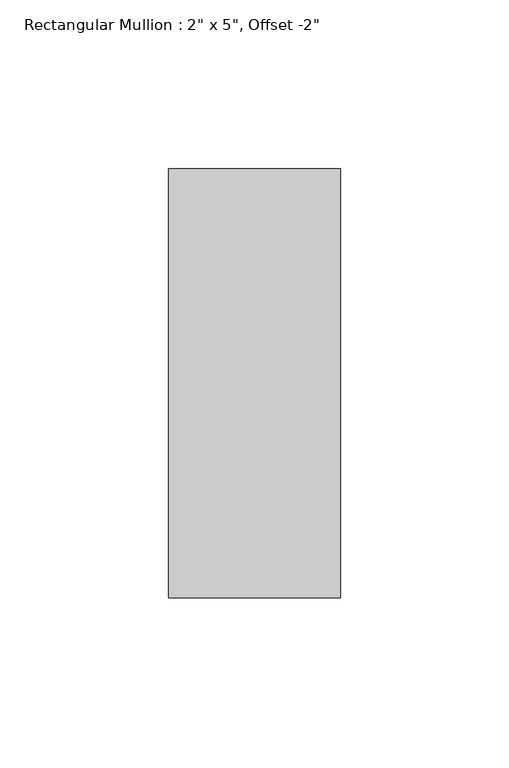
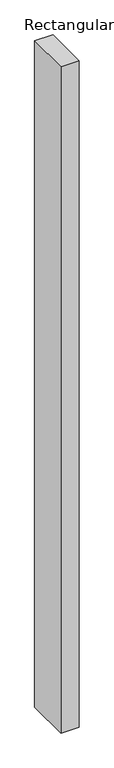
"""IFC4 building model written with IfcOpenShell, lengths in millimetres: member geometry."""

from ifc_helpers import new_model, si_unit, frame, origin, place, context, project, spatial, polyline, outline, extrude, source, transform, mapped, element, save


def member_8ff94a8b(model_context):
    return source(origin(), model_context, "Body", "SweptSolid", [
        extrude(outline(polyline([(0.0, 12.7), (0.0, -114.3), (-50.8, -114.3), (-50.8, 12.7), (0.0, 12.7)])), frame((0.0, 0.0, -1977.1129826), z_axis=(0.0, 0.0, 1.0), x_axis=(1.0, 0.0, 0.0)), (0.0, 0.0, 1.0), 1977.1129826),
    ])


if __name__ == "__main__":
    model = new_model("IFC4")
    model_context = context("Model", 3, world=origin())
    ifc_project = project(units=[si_unit("LENGTHUNIT", "METRE", prefix="MILLI")], contexts=[model_context])
    site = spatial("IfcSite", under=ifc_project)
    building = spatial("IfcBuilding", under=site)
    placement = place(None, origin())
    member_shape = member_8ff94a8b(model_context)
    element("IfcMember", 1, ObjectType="Rectangular Mullion : 2\" x 5\", Offset -2\"", at=placement, inside=building, context=model_context, shape_type="MappedRepresentation", body=[
        mapped(member_shape, transform((0.0, 0.0, 0.0), x_axis=(1.0, 0.0, 0.0), y_axis=(0.0, 1.0, 0.0), z_axis=(0.0, 0.0, 1.0))),
    ])
    save(model, "model.ifc")
